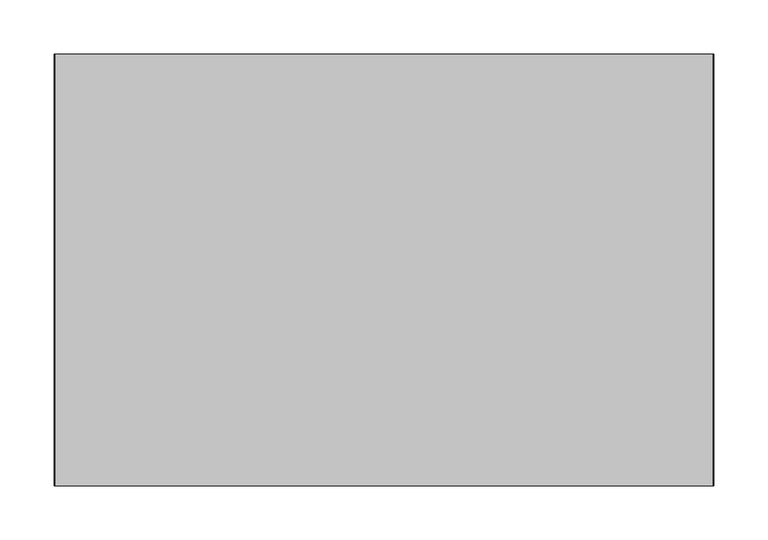
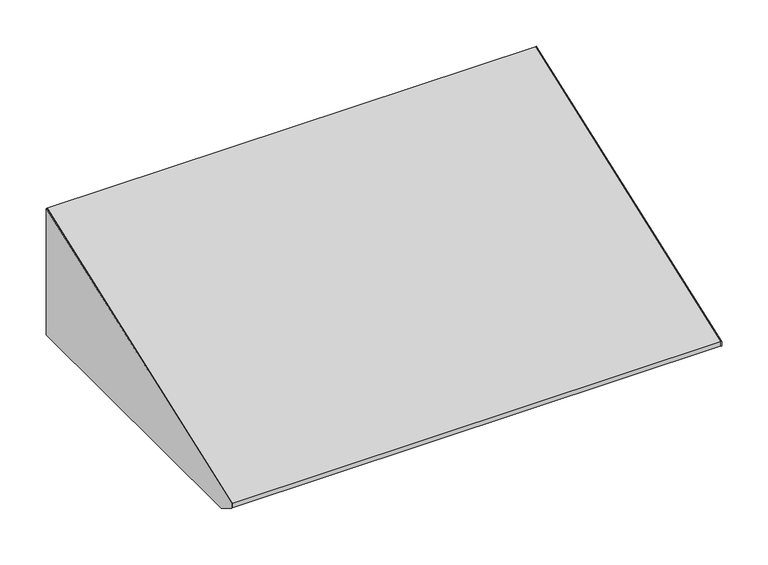
"""IFC4 building model written with IfcOpenShell, lengths in millimetres: furniture geometry."""

from ifc_helpers import new_model, si_unit, frame, origin, place, context, project, spatial, polyline, outline, extrude, source, transform, mapped, element, save


def furniture_6c8c8b45(model_context):
    return source(origin(), model_context, "Body", "SweptSolid", [
        extrude(outline(polyline([(-21.75256, 2309.3499351), (-21.75256, 2143.125), (-398.9953187, 2143.125), (-420.83736, 2156.9561416), (-420.83736, 2163.0783922), (-21.75256, 2309.3499351)])), frame((322.7439549, 0.0, 0.0), z_axis=(1.0, 0.0, 0.0), x_axis=(0.0, 1.0, 0.0)), (0.0, 0.0, 1.0), 0.79375),
        extrude(outline(polyline([(-21.75256, 2143.125), (-398.9953187, 2143.125), (-420.83736, 2156.9561416), (-420.83736, 2163.0783922), (-21.75256, 2309.3499351), (-21.75256, 2143.125)])), frame((-286.0622951, 0.0, 0.0), z_axis=(1.0, 0.0, 0.0), x_axis=(0.0, 1.0, 0.0)), (0.0, 0.0, 1.0), 0.79375),
        extrude(outline(polyline([(304.488502, -386.2953187), (304.488502, -97.8702473), (322.7439549, -97.8702473), (322.7439549, -386.2953187), (304.488502, -386.2953187)])), frame((0.0, 0.0, 2143.125), z_axis=(0.0, 0.0, 1.0), x_axis=(1.0, 0.0, 0.0)), (0.0, 0.0, 1.0), 0.79375),
        extrude(outline(polyline([(-21.75256, 2143.125), (-97.5295544, 2143.125), (-97.5295544, 2143.91875), (-22.54631, 2143.91875), (-22.54631, 2294.8402789), (-21.75256, 2294.8402789), (-21.75256, 2143.125)])), frame((312.1081836, 0.0, 0.0), z_axis=(1.0, 0.0, 0.0), x_axis=(0.0, 1.0, 0.0)), (0.0, 0.0, 1.0), 10.6357713),
        extrude(outline(polyline([(-21.75256, 2143.125), (-97.5295544, 2143.125), (-97.5295544, 2143.91875), (-22.54631, 2143.91875), (-22.54631, 2294.8402789), (-21.75256, 2294.8402789), (-21.75256, 2143.125)])), frame((-285.2685451, 0.0, 0.0), z_axis=(1.0, 0.0, 0.0), x_axis=(0.0, 1.0, 0.0)), (0.0, 0.0, 1.0), 10.6357713),
        extrude(outline(polyline([(-285.2685451, -386.2953187), (-285.2685451, -97.8702473), (-267.0130922, -97.8702473), (-267.0130922, -386.2953187), (-285.2685451, -386.2953187)])), frame((0.0, 0.0, 2143.125), z_axis=(0.0, 0.0, 1.0), x_axis=(1.0, 0.0, 0.0)), (0.0, 0.0, 1.0), 0.79375),
        extrude(outline(polyline([(-420.83736, 2163.0783922), (-21.75256, 2309.3499351), (-21.75256, 2294.8402789), (-22.54631, 2294.8402789), (-22.54631, 2308.2136809), (-420.04361, 2162.5239044), (-420.04361, 2157.3930199), (-221.2358067, 2143.91875), (-386.2953187, 2143.91875), (-386.2953187, 2143.125), (-398.9953187, 2143.125), (-420.83736, 2156.9561416), (-420.83736, 2163.0783922)])), frame((-285.2685451, 0.0, 0.0), z_axis=(1.0, 0.0, 0.0), x_axis=(0.0, 1.0, 0.0)), (0.0, 0.0, 1.0), 608.0125),
    ])


if __name__ == "__main__":
    model = new_model("IFC4")
    model_context = context("Model", 3, world=origin())
    ifc_project = project(units=[si_unit("LENGTHUNIT", "METRE", prefix="MILLI")], contexts=[model_context])
    site = spatial("IfcSite", under=ifc_project)
    building = spatial("IfcBuilding", under=site)
    placement = place(None, origin())
    furniture_shape = furniture_6c8c8b45(model_context)
    element("IfcFurniture", 1, at=placement, inside=building, context=model_context, shape_type="MappedRepresentation", body=[
        mapped(furniture_shape, transform((0.0, 0.0, 0.0), x_axis=(1.0, 0.0, 0.0), y_axis=(0.0, 1.0, 0.0), z_axis=(0.0, 0.0, 1.0))),
    ])
    save(model, "model.ifc")
